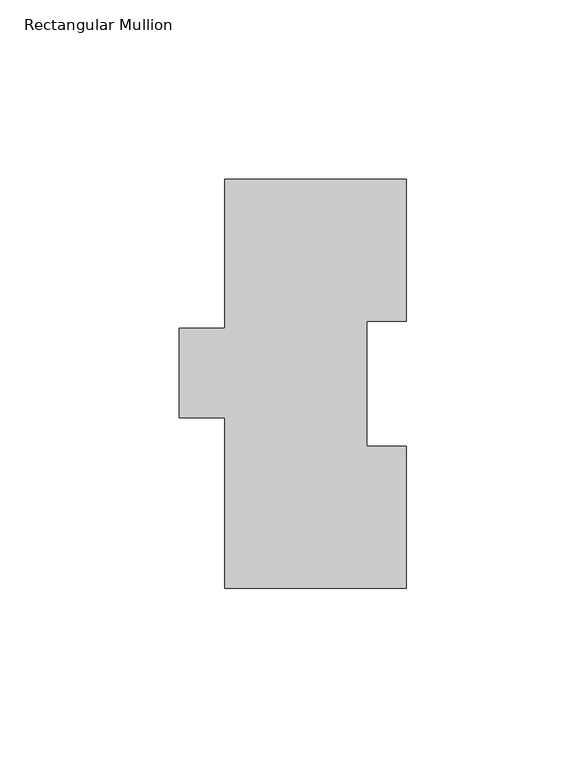
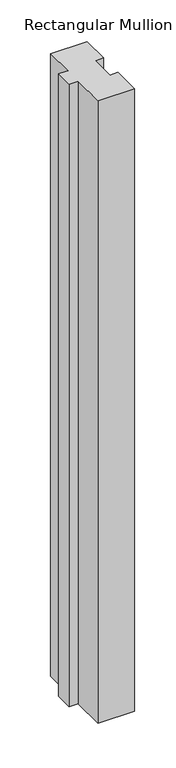
"""IFC4 building model written with IfcOpenShell, lengths in millimetres: member geometry, Rectangular Mullion."""

import ifcopenshell
import ifcopenshell.guid

model = None  # the IFC model being written
_history = None  # IfcOwnerHistory: only IFC2X3 demands one
_inside = {}  # id of a spatial element -> (the spatial element, [elements in it])
_under = {}  # id of a project, library or spatial element -> (it, [spatial elements below it])
_declared = {}  # id of a project -> (the project, [libraries it declares])
_typed = {}  # id of a type object -> (the type object, [elements of that type])
_made_of = {}  # id of a material, layer set ... -> (it, [elements and type objects made of it])


def new_model(schema):
    """Start an empty IFC model of exactly this schema.

    Asked for "IFC4X3", IfcOpenShell would pick the latest addendum, in which some entities
    have other attributes; the version numbers below select the first issue.
    IFC2X3 requires an IfcOwnerHistory on every rooted entity: one is made here for all.
    """
    global model, _history
    if schema == "IFC4X3":
        model = ifcopenshell.file(schema_version=(4, 3, 0, 0))
    else:
        model = ifcopenshell.file(schema=schema)
    _inside.clear()
    _under.clear()
    _declared.clear()
    _typed.clear()
    _made_of.clear()
    _history = None
    if model.schema == "IFC2X3":
        org = make("IfcOrganization", Name="unknown")
        user = make(
            "IfcPersonAndOrganization",
            ThePerson=make("IfcPerson", FamilyName="unknown"),
            TheOrganization=org,
        )
        app = make(
            "IfcApplication",
            ApplicationDeveloper=org,
            Version="unknown",
            ApplicationFullName="unknown",
            ApplicationIdentifier="unknown",
        )
        _history = make(
            "IfcOwnerHistory",
            OwningUser=user,
            OwningApplication=app,
            ChangeAction="ADDED",
            CreationDate=0,
        )
    return model


def make(cls, **values):
    """One entity of the class cls with the attributes given. An attribute that is None is left unset."""
    return model.create_entity(
        cls, **{name: value for name, value in values.items() if value is not None}
    )


def rooted(cls, **values):
    """An entity with a GlobalId (a new one), such as an element, a storey or a relation."""
    return make(cls, GlobalId=ifcopenshell.guid.new(), OwnerHistory=_history, **values)


def si_unit(unit_type, name, prefix=None):
    """IfcSIUnit, for example si_unit("LENGTHUNIT", "METRE", prefix="MILLI")."""
    return make("IfcSIUnit", UnitType=unit_type, Prefix=prefix, Name=name)


def assignment(units):
    """IfcUnitAssignment: the units of a project."""
    return None if units is None else make("IfcUnitAssignment", Units=units)


def point(xyz):
    """IfcCartesianPoint."""
    return None if xyz is None else make("IfcCartesianPoint", Coordinates=xyz)


def direction(xyz):
    """IfcDirection."""
    return None if xyz is None else make("IfcDirection", DirectionRatios=xyz)


def frame(location, z_axis=None, x_axis=None):
    """IfcAxis2Placement3D, a coordinate frame: its origin and axes. An axis left out is left unset."""
    return make(
        "IfcAxis2Placement3D",
        Location=point(location),
        Axis=direction(z_axis),
        RefDirection=direction(x_axis),
    )


def origin():
    """The frame at (0, 0, 0) with its axes left unset."""
    return frame((0.0, 0.0, 0.0))


def place(relative_to, where):
    """IfcLocalPlacement: puts the frame where relative to a parent placement (None: the world)."""
    return make(
        "IfcLocalPlacement", PlacementRelTo=relative_to, RelativePlacement=where
    )


def context(
    kind, dimensions, precision=None, world=None, true_north=None, identifier=None
):
    """IfcGeometricRepresentationContext, for example the 3D "Model" context."""
    return make(
        "IfcGeometricRepresentationContext",
        ContextIdentifier=identifier,
        ContextType=kind,
        CoordinateSpaceDimension=dimensions,
        Precision=precision,
        WorldCoordinateSystem=world,
        TrueNorth=true_north,
    )


def project(units=None, contexts=None):
    """IfcProject with its units and contexts."""
    return rooted(
        "IfcProject",
        Name="project",
        RepresentationContexts=contexts,
        UnitsInContext=assignment(units),
    )


def spatial(cls, under=None, at=None, **own):
    """A site, building, storey or space (cls), placed at a placement, below another one or the project."""
    s = rooted(cls, ObjectPlacement=at, **own)
    if under is not None:
        _under.setdefault(under.id(), (under, []))[1].append(s)
    return s


def polyline(points):
    """IfcPolyline through the points."""
    return make("IfcPolyline", Points=[point(p) for p in points])


def outline(outer, holes=None, kind="AREA"):
    """IfcArbitraryClosedProfileDef: a profile drawn as a closed curve; with holes, ...WithVoids."""
    if holes is None:
        return make("IfcArbitraryClosedProfileDef", ProfileType=kind, OuterCurve=outer)
    return make(
        "IfcArbitraryProfileDefWithVoids",
        ProfileType=kind,
        OuterCurve=outer,
        InnerCurves=holes,
    )


def extrude(swept, where, along, depth):
    """IfcExtrudedAreaSolid: the profile swept, set in the frame where, extruded along a direction by depth."""
    return make(
        "IfcExtrudedAreaSolid",
        SweptArea=swept,
        Position=where,
        ExtrudedDirection=direction(along),
        Depth=depth,
    )


def shape(context_of_items, identifier, shape_type, items):
    """IfcShapeRepresentation: the items that make up one representation, for example the "Body"."""
    return make(
        "IfcShapeRepresentation",
        ContextOfItems=context_of_items,
        RepresentationIdentifier=identifier,
        RepresentationType=shape_type,
        Items=items,
    )


def source(mapping_origin, context_of_items, identifier, shape_type, items):
    """IfcRepresentationMap: a shape defined once, which mapped items show again and again."""
    return make(
        "IfcRepresentationMap",
        MappingOrigin=mapping_origin,
        MappedRepresentation=shape(context_of_items, identifier, shape_type, items),
    )


def transform(
    local_origin,
    x_axis=None,
    y_axis=None,
    z_axis=None,
    scale=None,
    scale2=None,
    scale3=None,
    uniform=True,
):
    """IfcCartesianTransformationOperator3D, or its non-uniform kind. x_axis, y_axis, z_axis: its Axis1, 2, 3."""
    if uniform:
        return make(
            "IfcCartesianTransformationOperator3D",
            Axis1=direction(x_axis),
            Axis2=direction(y_axis),
            LocalOrigin=point(local_origin),
            Scale=scale,
            Axis3=direction(z_axis),
        )
    return make(
        "IfcCartesianTransformationOperator3DnonUniform",
        Axis1=direction(x_axis),
        Axis2=direction(y_axis),
        LocalOrigin=point(local_origin),
        Scale=scale,
        Axis3=direction(z_axis),
        Scale2=scale2,
        Scale3=scale3,
    )


def mapped(mapping_source, mapping_target):
    """IfcMappedItem: shows the shape of a source again, moved by a transform."""
    return make(
        "IfcMappedItem", MappingSource=mapping_source, MappingTarget=mapping_target
    )


def made_of(thing, what):
    """Note that an element or type object is made of a material, layer set ...; save() writes the relation."""
    if what is not None:
        _made_of.setdefault(what.id(), (what, []))[1].append(thing)
    return thing


def element(
    cls,
    number,
    at=None,
    inside=None,
    cuts=None,
    type_object=None,
    material=None,
    context=None,
    identifier="Body",
    shape_type=None,
    held_by="IfcProductDefinitionShape",
    body=None,
    shapes=None,
    **own,
):
    """One element of the class cls, such as IfcWall. Its Tag is "e" and its number.

    at: its placement. inside: the storey or other place that contains it. cuts: it is an
    opening in that element (IfcRelVoidsElement). A single representation is given by context,
    identifier, shape_type and body (its items); several are given by shapes. held_by: the class
    of the entity that holds the representations. save() writes the other relations.
    """
    e = rooted(cls, Tag="e%d" % number, ObjectPlacement=at, **own)
    if body is not None:
        shapes = [shape(context, identifier, shape_type, body)]
    if shapes is not None:
        e.Representation = make(held_by, Representations=shapes)
    if inside is not None:
        _inside.setdefault(inside.id(), (inside, []))[1].append(e)
    if cuts is not None:
        rooted(
            "IfcRelVoidsElement", RelatingBuildingElement=cuts, RelatedOpeningElement=e
        )
    if type_object is not None:
        _typed.setdefault(type_object.id(), (type_object, []))[1].append(e)
    return made_of(e, material)


def aggregate(whole, parts):
    """IfcRelAggregates: a whole, such as a stair, and the parts it consists of."""
    return rooted("IfcRelAggregates", RelatingObject=whole, RelatedObjects=parts)


def save(model, path):
    """Write the relations noted so far, then the file.

    IfcRelAggregates (storeys below a building ...), IfcRelContainedInSpatialStructure (elements
    in a storey), IfcRelDefinesByType, IfcRelAssociatesMaterial and IfcRelDeclares: one each for
    every whole, place, type object, material and project.
    """
    for whole, parts in _under.values():
        aggregate(whole, parts)
    for where, things in _inside.values():
        rooted(
            "IfcRelContainedInSpatialStructure",
            RelatedElements=things,
            RelatingStructure=where,
        )
    for kind, things in _typed.values():
        rooted("IfcRelDefinesByType", RelatedObjects=things, RelatingType=kind)
    for what, things in _made_of.values():
        rooted("IfcRelAssociatesMaterial", RelatedObjects=things, RelatingMaterial=what)
    for by, libraries in _declared.values():
        rooted("IfcRelDeclares", RelatingContext=by, RelatedDefinitions=libraries)
    model.write(path)


def rectangular_mullion_67c738d0(model_context):
    return source(origin(), model_context, "Body", "SweptSolid", [
        extrude(outline(polyline([(25.4, 114.271425), (25.4, 74.596625), (14.2875, 74.596625), (14.2875, 39.646225), (25.4, 39.646225), (25.4, -0.028575), (-25.4, -0.028575), (-25.4, 47.596425), (-38.1, 47.596425), (-38.1, 72.564625), (-25.4, 72.564625), (-25.4, 114.271425), (25.4, 114.271425)])), frame((0.0, 0.0, -914.4), z_axis=(0.0, 0.0, 1.0), x_axis=(1.0, 0.0, 0.0)), (0.0, 0.0, 1.0), 914.4),
    ])


if __name__ == "__main__":
    model = new_model("IFC4")
    model_context = context("Model", 3, world=origin())
    ifc_project = project(units=[si_unit("LENGTHUNIT", "METRE", prefix="MILLI")], contexts=[model_context])
    site = spatial("IfcSite", under=ifc_project)
    building = spatial("IfcBuilding", under=site)
    placement = place(None, origin())
    rectangular_mullion_shape = rectangular_mullion_67c738d0(model_context)
    element("IfcMember", 1, ObjectType="Rectangular Mullion", at=placement, inside=building, context=model_context, shape_type="MappedRepresentation", body=[
        mapped(rectangular_mullion_shape, transform((0.0, 0.0, 0.0), x_axis=(1.0, 0.0, 0.0), y_axis=(0.0, 1.0, 0.0), z_axis=(0.0, 0.0, 1.0))),
    ])
    save(model, "model.ifc")
